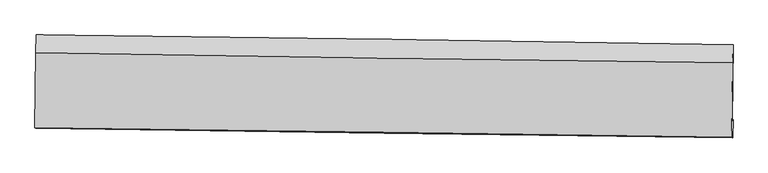
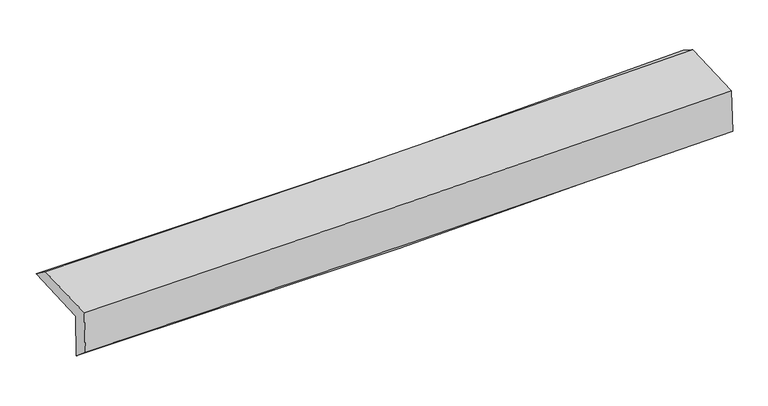
"""IFC4 building model written with IfcOpenShell, lengths in millimetres: proxy geometry."""

from ifc_helpers import new_model, si_unit, frame, origin, place, context, project, spatial, source, transform, mapped, element, save
from ifc_brep_helpers import plane_surface, spline_curve, spline_surface, advanced_brep


def generic_models_33a31153(model_context):
    return source(origin(), model_context, "Body", "AdvancedBrep", [
        advanced_brep(
        [(-3031.0880234, -1755.6014792, 1965.3923154), (-3022.7733675, -1096.5681163, 1982.0938099), (3017.8162765, -1180.2733965, 2141.2755528), (3009.5003447, -1839.4078827, 2124.5714956), (-3023.3015684, -1746.459602, 1564.5206327), (3017.4705659, -1830.0502503, 1714.2389392), (-3027.9469306, -1906.7796089, 1697.5917973), (3013.1290281, -1990.2290695, 1831.5206138), (-3035.3453316, -1899.7478481, 2089.2524552), (3005.5347035, -1983.0110945, 2233.5531785), (-3027.0839935, -1252.1844275, 2100.8846115), (3013.7369214, -1340.0818044, 2245.102092)],
        [
            (0, 1),
            (1, 2, spline_curve(3, [(-3022.7733675, -1096.5681163, 1982.0938099), (-2015.335620913, -1106.300511314, 1979.304403272), (-1008.262639925, -1118.1416365, 1991.173270382), (1005.267323642, -1146.042921106, 2044.230545237), (2011.72422409, -1162.103555677, 2085.422258705), (3017.8162765, -1180.2733965, 2141.2755528)], [4, 2, 4], [0.0, 9.914161919208137, 19.82944191587798])),
            (2, 3),
            (3, 0, spline_curve(3, [(3009.5003447, -1839.4078827, 2124.5714956), (2003.368388576, -1824.400866145, 2068.638048034), (996.891644111, -1809.913126327, 2027.406473162), (-1016.637889819, -1781.9777754, 1974.350062209), (-2023.690601345, -1768.530047338, 1962.521909739), (-3031.0880234, -1755.6014792, 1965.3923154)], [4, 2, 4], [0.0, 9.915279996669842, 19.82944191587798])),
            (4, 0),
            (3, 5),
            (5, 4, spline_curve(3, [(3017.4705659, -1830.0502503, 1714.2389392), (2011.240811192, -1815.15805627, 1663.340476506), (1004.699854618, -1800.74570654, 1625.414747842), (-1008.890927272, -1772.882265132, 1575.511570935), (-2015.940681791, -1759.431065657, 1563.531197884), (-3023.3015684, -1746.459602, 1564.5206327)], [4, 2, 4], [0.0, 9.915082646898695, 19.829047238589453])),
            (6, 4),
            (5, 7),
            (7, 6, spline_curve(3, [(3013.1290281, -1990.2290695, 1831.5206138), (2006.55451671, -1976.176127922, 1798.07369747), (999.815869859, -1962.195147469, 1770.189189112), (-1013.876153205, -1934.378676755, 1725.547504596), (-2020.829492622, -1920.543170457, 1708.789074312), (-3027.9469306, -1906.7796089, 1697.5917973)], [4, 2, 4], [0.0, 9.914373903942034, 19.827629832596166])),
            (8, 6),
            (7, 9),
            (9, 8, spline_curve(3, [(3005.5347035, -1983.0110945, 2233.5531785), (1998.928899555, -1968.928410982, 2201.762850773), (992.190936141, -1954.948080016, 2173.842166443), (-1021.43577217, -1927.193687707, 2125.742798226), (-2028.324487107, -1913.419603104, 2105.56324106), (-3035.3453316, -1899.7478481, 2089.2524552)], [4, 2, 4], [0.0, 9.913998501860291, 19.826879070764175])),
            (10, 8),
            (9, 11),
            (11, 10, spline_curve(3, [(3013.7369214, -1340.0818044, 2245.102092), (2007.12119471, -1326.776918467, 2213.297792545), (1000.383197282, -1312.799243119, 2185.377060816), (-1013.223802022, -1283.499965512, 2137.305443289), (-2020.092776217, -1268.178515445, 2117.153681386), (-3027.0839935, -1252.1844275, 2100.8846115)], [4, 2, 4], [0.0, 9.913996934610966, 19.82687593644225])),
            (1, 10),
            (11, 2),
        ],
        [
            spline_surface(3, 3, [[(-3031.0880234, -1755.6014792, 1965.3923154), (-2023.690601221, -1768.530047466, 1962.521909904), (-1016.637889755, -1781.977775493, 1974.350062051), (996.891644047, -1809.913126234, 2027.40647332), (2003.368388586, -1824.400866018, 2068.638047895), (3009.5003447, -1839.4078827, 2124.5714956)], [(-3028.316471428, -1535.923691583, 1970.95948023), (-2020.905607804, -1547.786868753, 1968.116074313), (-1013.846139802, -1560.699062532, 1979.95779819), (999.683537266, -1588.62305783, 2033.014497233), (2006.153667025, -1603.635095938, 2074.232784824), (3012.272321944, -1619.696387308, 2130.139514667)], [(-3025.544919472, -1316.245903917, 1976.52664507), (-2018.120614404, -1327.04368999, 1973.710238732), (-1011.054389894, -1339.420349557, 1985.565534375), (1002.475430439, -1367.332989414, 2038.622521192), (2008.938945531, -1382.869325834, 2079.827521754), (3015.044299256, -1399.984891892, 2135.707533733)], [(-3022.7733675, -1096.5681163, 1982.0938099), (-2015.335620988, -1106.300511277, 1979.304403141), (-1008.262639941, -1118.141636596, 1991.173270514), (1005.267323657, -1146.04292101, 2044.230545105), (2011.724223971, -1162.103555754, 2085.422258683), (3017.8162765, -1180.2733965, 2141.2755528)]], [4, 4], [4, 2, 4], [0.0, 2.1788685392474685], [0.0, 9.914161919208137, 19.82944191587798]),
            spline_surface(3, 3, [[(-3023.3015684, -1746.459602, 1564.5206327), (-2015.940681834, -1759.431065793, 1563.531197785), (-1008.890927142, -1772.882265218, 1575.511571072), (1004.699854487, -1800.745706455, 1625.414747704), (2011.240811197, -1815.158056433, 1663.340476602), (3017.4705659, -1830.0502503, 1714.2389392)], [(-3025.897053389, -1749.506894389, 1698.144526916), (-2018.523988286, -1762.464059673, 1696.528101808), (-1011.473248023, -1775.914101964, 1708.457734735), (1002.097117664, -1803.801513036, 1759.411989579), (2008.616670336, -1818.238992947, 1798.439667031), (3014.813825509, -1833.169461086, 1851.016457997)], [(-3028.492538411, -1752.554186811, 1831.768421184), (-2021.107294769, -1765.497053586, 1829.525005881), (-1014.055568874, -1778.945938746, 1841.403898389), (999.49438087, -1806.857319652, 1893.409231445), (2005.992529447, -1821.319929504, 1933.538857467), (3012.157085091, -1836.288671914, 1987.793976803)], [(-3031.0880234, -1755.6014792, 1965.3923154), (-2023.690601221, -1768.530047466, 1962.521909904), (-1016.637889755, -1781.977775493, 1974.350062051), (996.891644047, -1809.913126234, 2027.40647332), (2003.368388586, -1824.400866018, 2068.638047895), (3009.5003447, -1839.4078827, 2124.5714956)]], [4, 4], [4, 2, 4], [0.0, 1.3142877381895999], [0.0, 9.913964591690759, 19.829047238589453]),
            spline_surface(3, 3, [[(-3027.9469306, -1906.7796089, 1697.5917973), (-2020.829492728, -1920.54317048, 1708.789074291), (-1013.87615329, -1934.378676794, 1725.547504633), (999.815869944, -1962.19514743, 1770.189189075), (2006.554516767, -1976.176127988, 1798.073697553), (3013.1290281, -1990.2290695, 1831.5206138)], [(-3026.398476562, -1853.339606593, 1653.234742451), (-2019.199889125, -1866.839135577, 1660.36978214), (-1012.21441123, -1880.546539589, 1675.535526792), (1001.443864803, -1908.378667092, 1721.931041964), (2008.116614911, -1922.503437481, 1753.162623905), (3014.576207367, -1936.836129777, 1792.426722269)], [(-3024.850022438, -1799.899604307, 1608.877687549), (-2017.570285437, -1813.135100696, 1611.950489936), (-1010.552669202, -1826.714402422, 1625.523548914), (1003.071859629, -1854.562186792, 1673.672894815), (2009.678713053, -1868.830746941, 1708.25155025), (3016.023386633, -1883.443190023, 1753.332830731)], [(-3023.3015684, -1746.459602, 1564.5206327), (-2015.940681834, -1759.431065793, 1563.531197785), (-1008.890927142, -1772.882265218, 1575.511571072), (1004.699854487, -1800.745706455, 1625.414747704), (2011.240811197, -1815.158056433, 1663.340476602), (3017.4705659, -1830.0502503, 1714.2389392)]], [4, 4], [4, 2, 4], [0.0, 0.7174924353172705], [0.0, 9.913255928654133, 19.827629832596166]),
            spline_surface(3, 3, [[(-3035.3453316, -1899.7478481, 2089.2524552), (-2028.324487013, -1913.419603239, 2105.563241099), (-1021.43577211, -1927.193687667, 2125.742798119), (992.190936081, -1954.948080057, 2173.842166551), (1998.928899503, -1968.928411085, 2201.762850654), (3005.5347035, -1983.0110945, 2233.5531785)], [(-3032.879197913, -1902.09176836, 1958.698902553), (-2025.826155565, -1915.794125645, 1973.305185482), (-1018.915899167, -1929.588684043, 1992.344366931), (994.732580706, -1957.363769181, 2039.291174033), (2001.47077191, -1971.344316705, 2067.199799624), (3008.06614502, -1985.417086152, 2099.542323604)], [(-3030.413064287, -1904.43568864, 1828.145349947), (-2023.327824177, -1918.168648073, 1841.047129908), (-1016.396026234, -1931.983680418, 1858.945935821), (997.27422532, -1959.779458305, 1904.740181593), (2004.012644359, -1973.760222369, 1932.636748583), (3010.59758658, -1987.823077848, 1965.531468696)], [(-3027.9469306, -1906.7796089, 1697.5917973), (-2020.829492728, -1920.54317048, 1708.789074291), (-1013.87615329, -1934.378676794, 1725.547504633), (999.815869944, -1962.19514743, 1770.189189075), (2006.554516767, -1976.176127988, 1798.073697553), (3013.1290281, -1990.2290695, 1831.5206138)]], [4, 4], [4, 2, 4], [0.0, 1.3190970899427634], [0.0, 9.912880568903883, 19.826879070764175]),
            spline_surface(3, 3, [[(-3027.0839935, -1252.1844275, 2100.8846115), (-2020.092776244, -1268.178515318, 2117.153681429), (-1013.223801974, -1283.499965639, 2137.30544319), (1000.383197234, -1312.799242992, 2185.377060914), (2007.121194596, -1326.776918311, 2213.297792611), (3013.7369214, -1340.0818044, 2245.102092)], [(-3029.837772886, -1468.038901031, 2097.007226082), (-2022.836679853, -1483.258877956, 2113.290201334), (-1015.961125371, -1498.064539675, 2133.451228186), (997.652443497, -1526.848855374, 2181.532096146), (2004.390429566, -1540.827415908, 2209.452811942), (3011.002848768, -1554.391567772, 2241.25245415)], [(-3032.591552214, -1683.893374569, 2093.129840618), (-2025.580583405, -1698.339240601, 2109.426721194), (-1018.698448712, -1712.629113631, 2129.597013123), (994.921689818, -1740.898467675, 2177.687131319), (2001.659664532, -1754.877913489, 2205.607831323), (3008.268776132, -1768.701331128, 2237.40281635)], [(-3035.3453316, -1899.7478481, 2089.2524552), (-2028.324487013, -1913.419603239, 2105.563241099), (-1021.43577211, -1927.193687667, 2125.742798119), (992.190936081, -1954.948080057, 2173.842166551), (1998.928899503, -1968.928411085, 2201.762850654), (3005.5347035, -1983.0110945, 2233.5531785)]], [4, 4], [4, 2, 4], [0.0, 2.1098333929403816], [0.0, 9.912879001831284, 19.82687593644225]),
            spline_surface(3, 3, [[(-3022.7733675, -1096.5681163, 1982.0938099), (-2015.335620988, -1106.300511277, 1979.304403141), (-1008.262639941, -1118.141636596, 1991.173270514), (1005.267323657, -1146.04292101, 2044.230545105), (2011.724223971, -1162.103555754, 2085.422258683), (3017.8162765, -1180.2733965, 2141.2755528)], [(-3024.210242822, -1148.440220044, 2021.690743767), (-2016.921339395, -1160.259845968, 2025.254162571), (-1009.916360619, -1173.261079603, 2039.883994746), (1003.639281515, -1201.628361664, 2091.279383715), (2010.189880871, -1216.994676612, 2128.047436673), (3016.456491492, -1233.542865805, 2175.884399213)], [(-3025.647118178, -1200.312323756, 2061.287677633), (-2018.507057836, -1214.219180627, 2071.203921999), (-1011.570081296, -1228.380522632, 2088.594718959), (1002.011239375, -1257.213802339, 2138.328222305), (2008.655537696, -1271.885797454, 2170.672614622), (3015.096706408, -1286.812335095, 2210.493245587)], [(-3027.0839935, -1252.1844275, 2100.8846115), (-2020.092776244, -1268.178515318, 2117.153681429), (-1013.223801974, -1283.499965639, 2137.30544319), (1000.383197234, -1312.799242992, 2185.377060914), (2007.121194596, -1326.776918311, 2213.297792611), (3013.7369214, -1340.0818044, 2245.102092)]], [4, 4], [4, 2, 4], [0.0, 0.7205270772218146], [0.0, 9.913346082154888, 19.827810149764808]),
            plane_surface(frame((3012.86464, -1693.8422497, 2048.3769786), z_axis=(0.9997314050916788, -0.013097597257137635, 0.019119901137497366), x_axis=(0.018883413070719893, -0.017947613585813746, -0.9996605923399077))),
            plane_surface(frame((-3027.9232025, -1609.556847, 1899.955937), z_axis=(-0.9997314050916772, 0.013097597257574332, -0.019119901137284893), x_axis=(-0.012611389122620413, -0.999599534485198, -0.025332262460614936))),
        ],
        [
            (0, [[1, 2, 3, 4]]),
            (1, [[5, -4, 6, 7]]),
            (2, [[8, -7, 9, 10]]),
            (3, [[11, -10, 12, 13]]),
            (4, [[14, -13, 15, 16]]),
            (5, [[17, -16, 18, -2]]),
            (6, [[-12, -9, -6, -3, -18, -15]]),
            (7, [[-1, -5, -8, -11, -14, -17]]),
        ],
    ),
    ])


if __name__ == "__main__":
    model = new_model("IFC4")
    model_context = context("Model", 3, world=origin())
    ifc_project = project(units=[si_unit("LENGTHUNIT", "METRE", prefix="MILLI")], contexts=[model_context])
    site = spatial("IfcSite", under=ifc_project)
    building = spatial("IfcBuilding", under=site)
    placement = place(None, origin())
    generic_models_shape = generic_models_33a31153(model_context)
    element("IfcBuildingElementProxy", 1, Name="Generic Models", at=placement, inside=building, context=model_context, shape_type="MappedRepresentation", body=[
        mapped(generic_models_shape, transform((0.0, 0.0, 0.0), x_axis=(1.0, 0.0, 0.0), y_axis=(0.0, 1.0, 0.0), z_axis=(0.0, 0.0, 1.0))),
    ])
    save(model, "model.ifc")
